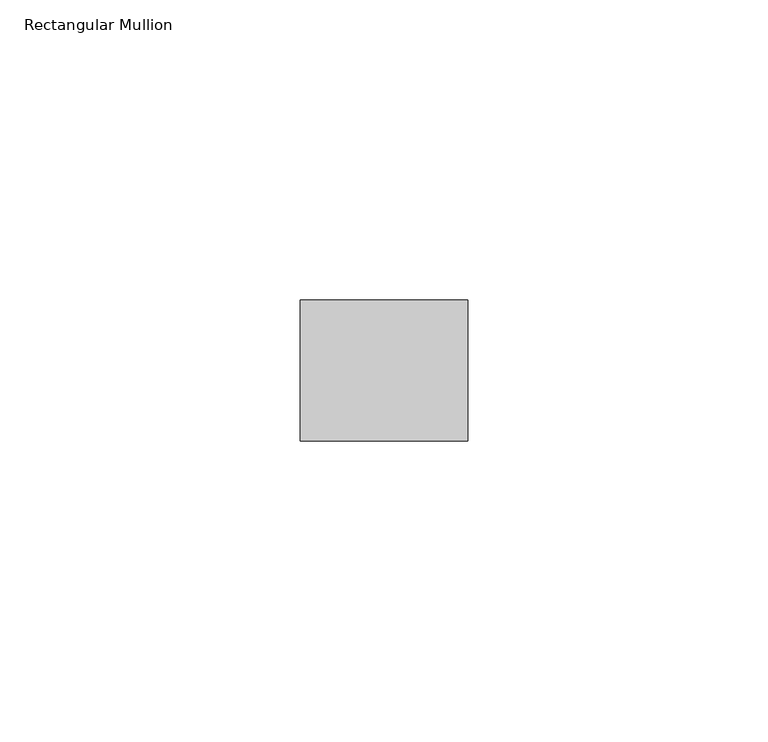
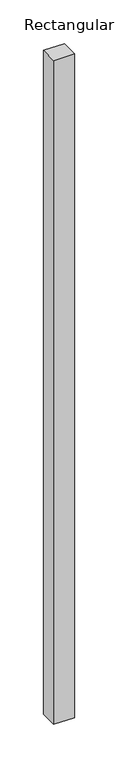
"""IFC4 building model written with IfcOpenShell, lengths in millimetres: member geometry, Rectangular Mullion."""

from ifc_helpers import new_model, si_unit, frame, origin, place, context, project, spatial, polyline, outline, extrude, source, transform, mapped, element, save


def rectangular_mullion_129b50c9(model_context):
    return source(origin(), model_context, "Body", "SweptSolid", [
        extrude(outline(polyline([(0.0, -11.7474999), (-27.94, -11.7474999), (-27.94, 11.7474999), (0.0, 11.7474999), (0.0, -11.7474999)])), frame((0.0, 0.0, -931.1212004), z_axis=(0.0, 0.0, 1.0), x_axis=(1.0, 0.0, 0.0)), (0.0, 0.0, 1.0), 931.1212004),
    ])


if __name__ == "__main__":
    model = new_model("IFC4")
    model_context = context("Model", 3, world=origin())
    ifc_project = project(units=[si_unit("LENGTHUNIT", "METRE", prefix="MILLI")], contexts=[model_context])
    site = spatial("IfcSite", under=ifc_project)
    building = spatial("IfcBuilding", under=site)
    placement = place(None, origin())
    rectangular_mullion_shape = rectangular_mullion_129b50c9(model_context)
    element("IfcMember", 1, ObjectType="Rectangular Mullion", at=placement, inside=building, context=model_context, shape_type="MappedRepresentation", body=[
        mapped(rectangular_mullion_shape, transform((0.0, 0.0, 0.0), x_axis=(1.0, 0.0, 0.0), y_axis=(0.0, 1.0, 0.0), z_axis=(0.0, 0.0, 1.0))),
    ])
    save(model, "model.ifc")
